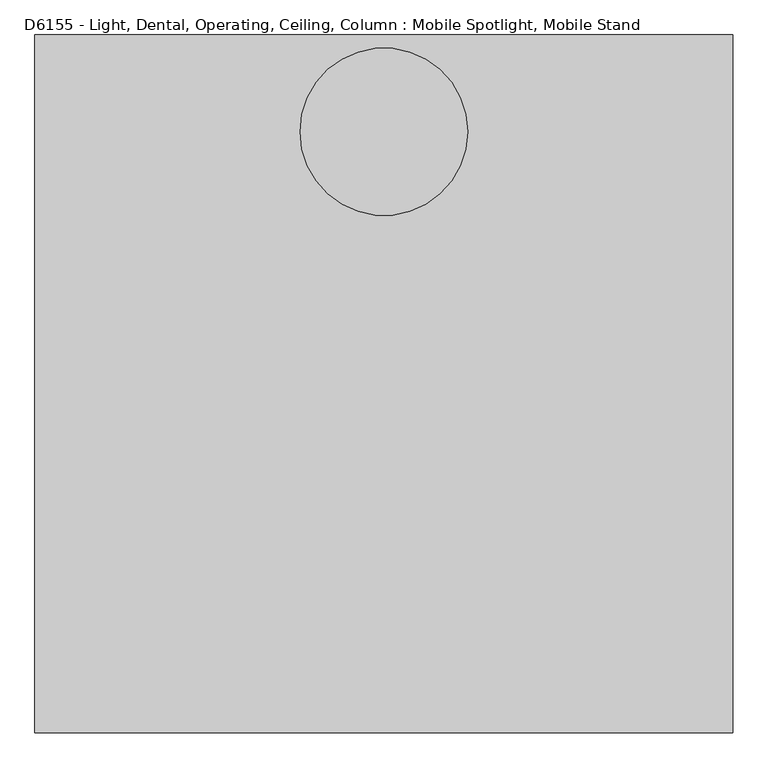
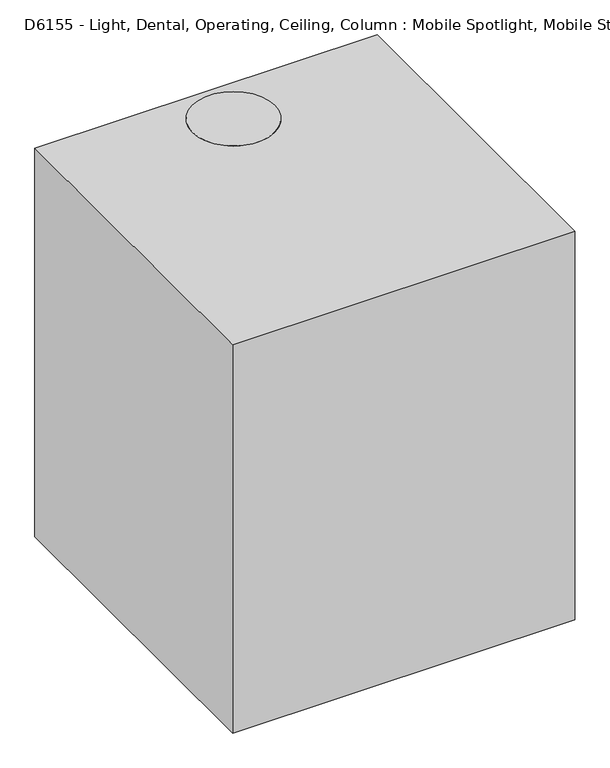
"""IFC4 building model written with IfcOpenShell, lengths in millimetres: proxy geometry, D6155 - Light, Dental, Operating, Ceiling, Column : Mobile Spotlight, Mobile Stand."""

from ifc_helpers import new_model, si_unit, point, frame, frame_2d, origin, place, context, project, spatial, polyline, circle_curve, ellipse_curve, trimmed, segment, composite_curve, outline, extrude, source, transform, mapped, element, save
from ifc_brep_helpers import plane_surface, revolved_surface, advanced_brep


def d6155_light_dental_operating_ceiling_column_mobile_spotlight_c936fcf3(model_context):
    return source(origin(), model_context, "Body", "SolidModel", [
        extrude(outline(composite_curve([segment(polyline([(-42.2464852, -1119.0842165), (-42.2464852, -653.3774924)]), True, "CONTINUOUS"), segment(trimmed(circle_curve(frame_2d((-23.1964852, -639.2363382)), 23.7249814), [point((-42.2464852, -653.3774924))], [point((-4.1464852, -653.3774924))], True, "CARTESIAN"), True, "CONTINUOUS"), segment(polyline([(-4.1464852, -653.3774924), (-4.1464852, -1119.0842165), (-42.2464852, -1119.0842165)]), True, "CONTINUOUS")], self_intersect=False)), frame((-438.1515869, 0.0, 0.0), z_axis=(1.0, 0.0, 0.0), x_axis=(0.0, 1.0, 0.0)), (0.0, 0.0, 1.0), 44.7313138),
        extrude(outline(composite_curve([segment(polyline([(3.1749999, 3.175), (3.1749999, 82.55), (9.525, 82.55), (9.525, 3.175)]), True, "CONTINUOUS"), segment(trimmed(circle_curve(frame_2d((12.6999999, 3.175)), 3.175), [point((9.525, 3.175))], [point((12.6999999, 0.0))], True, "CARTESIAN"), True, "CONTINUOUS"), segment(polyline([(12.6999999, 0.0), (44.45, 0.0)]), True, "CONTINUOUS"), segment(trimmed(circle_curve(frame_2d((44.45, -3.175)), 3.175), [point((44.45, 0.0))], [point((47.6249999, -3.175))], False, "CARTESIAN"), True, "CONTINUOUS"), segment(trimmed(circle_curve(frame_2d((44.45, -3.175)), 3.175), [point((47.6249999, -3.175))], [point((44.45, -6.35))], False, "CARTESIAN"), True, "CONTINUOUS"), segment(polyline([(44.45, -6.35), (-31.75, -6.35)]), True, "CONTINUOUS"), segment(trimmed(circle_curve(frame_2d((-31.75, -3.175)), 3.175), [point((-31.75, -6.35))], [point((-34.925, -3.175))], False, "CARTESIAN"), True, "CONTINUOUS"), segment(trimmed(circle_curve(frame_2d((-31.75, -3.175)), 3.175), [point((-34.925, -3.175))], [point((-31.75, 0.0))], False, "CARTESIAN"), True, "CONTINUOUS"), segment(polyline([(-31.75, 0.0), (0.0, 0.0)]), True, "CONTINUOUS"), segment(trimmed(circle_curve(frame_2d((0.0, 3.175)), 3.175), [point((0.0, 0.0))], [point((3.1749999, 3.175))], True, "CARTESIAN"), True, "CONTINUOUS")], self_intersect=False)), frame((-619.125, -72.8506957, -1372.7870776), z_axis=(0.0, -0.3420201433256747, 0.9396926207859062), x_axis=(0.0, -0.9396926207859062, -0.3420201433256747)), (0.0, 0.0, 1.0), 6.35),
        extrude(outline(composite_curve([segment(trimmed(circle_curve(frame_2d((73.025, 3.1749999)), 3.175), [point((73.025, 0.0))], [point((76.2, 3.1749999))], True, "CARTESIAN"), True, "CONTINUOUS"), segment(polyline([(76.2, 3.1749999), (76.2, 34.9249999)]), True, "CONTINUOUS"), segment(trimmed(circle_curve(frame_2d((79.375, 34.9249999)), 3.175), [point((76.2, 34.9249999))], [point((79.375, 38.0999999))], False, "CARTESIAN"), True, "CONTINUOUS"), segment(trimmed(circle_curve(frame_2d((79.375, 34.9249999)), 3.175), [point((79.375, 38.0999999))], [point((82.55, 34.9249999))], False, "CARTESIAN"), True, "CONTINUOUS"), segment(polyline([(82.55, 34.9249999), (82.55, -41.2750001)]), True, "CONTINUOUS"), segment(trimmed(circle_curve(frame_2d((79.375, -41.2750001)), 3.175), [point((82.55, -41.2750001))], [point((79.375, -44.45))], False, "CARTESIAN"), True, "CONTINUOUS"), segment(trimmed(circle_curve(frame_2d((79.375, -41.2750001)), 3.175), [point((79.375, -44.45))], [point((76.2, -41.2750001))], False, "CARTESIAN"), True, "CONTINUOUS"), segment(polyline([(76.2, -41.2750001), (76.2, -9.525)]), True, "CONTINUOUS"), segment(trimmed(circle_curve(frame_2d((73.025, -9.525)), 3.175), [point((76.2, -9.525))], [point((73.025, -6.3500001))], True, "CARTESIAN"), True, "CONTINUOUS"), segment(polyline([(73.025, -6.3500001), (-6.35, -6.3500001), (-6.35, 0.0), (73.025, 0.0)]), True, "CONTINUOUS")], self_intersect=False)), frame((-269.875, -75.8342197, -1373.8729915), z_axis=(0.0, -0.3420201433256747, 0.9396926207859062), x_axis=(1.0, 0.0, 0.0)), (0.0, 0.0, 1.0), 6.35),
        extrude(outline(polyline([(-10.4394357, 0.0), (0.0, 0.0), (0.0, -93.5534767), (-260.35, -93.5534767), (-260.35, 0.0), (-249.9105643, 0.0), (-249.9105643, -82.4409766), (-10.4394357, -82.4409766), (-10.4394357, 0.0)])), frame((-536.575, -136.4005581, -1296.3598055), z_axis=(0.0, 0.9396926207859062, 0.34202014332567465), x_axis=(-1.0, 0.0, 0.0)), (0.0, 0.0, 1.0), 51.6611993),
        extrude(outline(composite_curve([segment(polyline([(83.7478894, -1273.5552985), (47.0125775, -1317.3347385), (-226.6088192, -1416.9247823), (-282.8905822, -1407.0007889)]), True, "CONTINUOUS"), segment(trimmed(circle_curve(frame_2d((-50.9998822, -1473.7270449)), 241.3), [point((-282.8905822, -1407.0007889))], [point((83.7478894, -1273.5552985))], False, "CARTESIAN"), True, "CONTINUOUS")], self_intersect=False)), frame((-526.1355643, 0.0, 0.0), z_axis=(1.0, 0.0, 0.0), x_axis=(0.0, 1.0, 0.0)), (0.0, 0.0, 1.0), 239.4711286),
        extrude(outline(composite_curve([segment(trimmed(circle_curve(frame_2d((-49.1996212, -1478.6732215)), 259.8923153), [point((-300.7917267, -1413.5162727))], [point((101.6490338, -1267.0398148))], False, "CARTESIAN"), True, "CONTINUOUS"), segment(polyline([(101.6490338, -1267.0398148), (83.7478894, -1273.5552985)]), True, "CONTINUOUS"), segment(trimmed(circle_curve(frame_2d((-50.9998822, -1473.7270449)), 241.3), [point((83.7478894, -1273.5552985))], [point((-282.8905822, -1407.0007889))], True, "CARTESIAN"), True, "CONTINUOUS"), segment(polyline([(-282.8905822, -1407.0007889), (-300.7917267, -1413.5162727)]), True, "CONTINUOUS")], self_intersect=False)), frame((-526.1355643, 0.0, 0.0), z_axis=(1.0, 0.0, 0.0), x_axis=(0.0, 1.0, 0.0)), (0.0, 0.0, 1.0), 239.4711286),
        extrude(outline(polyline([(-98.0576121, -1311.6988489), (-89.6839257, -1314.7466215), (-88.136531, -1323.5223329), (-94.9628227, -1329.2502718), (-103.3365092, -1326.2024992), (-104.8839039, -1317.4267877), (-98.0576121, -1311.6988489)])), frame((-273.05, 0.0, 0.0), z_axis=(1.0, 0.0, 0.0), x_axis=(0.0, 1.0, 0.0)), (0.0, 0.0, 1.0), 3.175),
        extrude(outline(composite_curve([segment(trimmed(circle_curve(frame_2d((-97.6154008, -1319.4941842)), 25.4), [point((-72.2154008, -1319.4941842))], [point((-123.0154008, -1319.4941842))], False, "CARTESIAN"), True, "CONTINUOUS"), segment(trimmed(circle_curve(frame_2d((-97.6154008, -1319.4941842)), 25.4), [point((-123.0154008, -1319.4941842))], [point((-72.2154008, -1319.4941842))], False, "CARTESIAN"), True, "CONTINUOUS")], self_intersect=False)), frame((-286.6644357, 0.0, 0.0), z_axis=(1.0, 0.0, 0.0), x_axis=(0.0, 1.0, 0.0)), (0.0, 0.0, 1.0), 10.4394357),
        extrude(outline(composite_curve([segment(polyline([(-6.5644977, -1125.1377649), (-81.6385001, -1331.4018912)]), True, "CONTINUOUS"), segment(trimmed(circle_curve(frame_2d((-99.6235617, -1321.9059271)), 20.3380376), [point((-81.6385001, -1331.4018912))], [point((-119.7151996, -1318.7496851))], False, "CARTESIAN"), True, "CONTINUOUS"), segment(polyline([(-119.7151996, -1318.7496851), (-47.0889122, -1119.2106004)]), True, "CONTINUOUS"), segment(trimmed(circle_curve(frame_2d((-39.2984344, -1122.0461024)), 8.2904533), [point((-47.0889122, -1119.2106004))], [point((-36.4629324, -1114.2556246))], False, "CARTESIAN"), True, "CONTINUOUS"), segment(polyline([(-36.4629324, -1114.2556246), (-6.5644977, -1125.1377649)]), True, "CONTINUOUS")], self_intersect=False), holes=[composite_curve([segment(trimmed(circle_curve(frame_2d((-96.7997618, -1319.6305836)), 4.6125063), [point((-92.1872555, -1319.6305836))], [point((-101.4122681, -1319.6305836))], True, "CARTESIAN"), True, "CONTINUOUS"), segment(trimmed(circle_curve(frame_2d((-96.7997618, -1319.6305836)), 4.6125063), [point((-101.4122681, -1319.6305836))], [point((-92.1872555, -1319.6305836))], True, "CARTESIAN"), True, "CONTINUOUS")], self_intersect=False)]), frame((-276.225, 0.0, 0.0), z_axis=(1.0, 0.0, 0.0), x_axis=(0.0, 1.0, 0.0)), (0.0, 0.0, 1.0), 3.175),
        extrude(outline(polyline([(-98.0576121, -1311.6988489), (-89.6839257, -1314.7466215), (-88.136531, -1323.5223329), (-94.9628227, -1329.2502718), (-103.3365092, -1326.2024992), (-104.8839039, -1317.4267877), (-98.0576121, -1311.6988489)])), frame((-542.925, 0.0, 0.0), z_axis=(1.0, 0.0, 0.0), x_axis=(0.0, 1.0, 0.0)), (0.0, 0.0, 1.0), 3.175),
        extrude(outline(composite_curve([segment(polyline([(-6.5644977, -1125.1377649), (-17.4236373, -1154.9730056), (-55.1125497, -1141.2553633), (-47.3433177, -1119.9095738)]), True, "CONTINUOUS"), segment(trimmed(circle_curve(frame_2d((-38.8538665, -1122.9994814)), 9.0342853), [point((-47.3433177, -1119.9095738))], [point((-35.7639589, -1114.5100302))], False, "CARTESIAN"), True, "CONTINUOUS"), segment(polyline([(-35.7639589, -1114.5100302), (-6.5644977, -1125.1377649)]), True, "CONTINUOUS")], self_intersect=False)), frame((-536.575, 0.0, 0.0), z_axis=(1.0, 0.0, 0.0), x_axis=(0.0, 1.0, 0.0)), (0.0, 0.0, 1.0), 260.35),
        extrude(outline(composite_curve([segment(trimmed(circle_curve(frame_2d((-97.6154008, -1319.4941842)), 25.4), [point((-72.2154008, -1319.4941842))], [point((-123.0154008, -1319.4941842))], False, "CARTESIAN"), True, "CONTINUOUS"), segment(trimmed(circle_curve(frame_2d((-97.6154008, -1319.4941842)), 25.4), [point((-123.0154008, -1319.4941842))], [point((-72.2154008, -1319.4941842))], False, "CARTESIAN"), True, "CONTINUOUS")], self_intersect=False)), frame((-536.575, 0.0, 0.0), z_axis=(1.0, 0.0, 0.0), x_axis=(0.0, 1.0, 0.0)), (0.0, 0.0, 1.0), 10.4394357),
        extrude(outline(composite_curve([segment(polyline([(-6.5644977, -1125.1377649), (-81.6385001, -1331.4018912)]), True, "CONTINUOUS"), segment(trimmed(circle_curve(frame_2d((-99.6235617, -1321.9059271)), 20.3380376), [point((-81.6385001, -1331.4018912))], [point((-119.7151996, -1318.7496851))], False, "CARTESIAN"), True, "CONTINUOUS"), segment(polyline([(-119.7151996, -1318.7496851), (-47.0217723, -1119.026135)]), True, "CONTINUOUS"), segment(trimmed(circle_curve(frame_2d((-39.4157598, -1121.7944972)), 8.0941494), [point((-47.0217723, -1119.026135))], [point((-36.6473977, -1114.1884847))], False, "CARTESIAN"), True, "CONTINUOUS"), segment(polyline([(-36.6473977, -1114.1884847), (-6.5644977, -1125.1377649)]), True, "CONTINUOUS")], self_intersect=False), holes=[composite_curve([segment(trimmed(circle_curve(frame_2d((-96.7997618, -1319.6305836)), 4.6125063), [point((-92.1872555, -1319.6305836))], [point((-101.4122681, -1319.6305836))], True, "CARTESIAN"), True, "CONTINUOUS"), segment(trimmed(circle_curve(frame_2d((-96.7997618, -1319.6305836)), 4.6125063), [point((-101.4122681, -1319.6305836))], [point((-92.1872555, -1319.6305836))], True, "CARTESIAN"), True, "CONTINUOUS")], self_intersect=False)]), frame((-539.75, 0.0, 0.0), z_axis=(1.0, 0.0, 0.0), x_axis=(0.0, 1.0, 0.0)), (0.0, 0.0, 1.0), 3.175),
        extrude(outline(composite_curve([segment(polyline([(-0.7454484, -624.5764556), (-0.7454484, -647.2535292)]), True, "CONTINUOUS"), segment(trimmed(circle_curve(frame_2d((-22.9704484, -638.9514742)), 23.7249814), [point((-0.7454484, -647.2535292))], [point((-45.1954484, -647.2535292))], False, "CARTESIAN"), True, "CONTINUOUS"), segment(polyline([(-45.1954484, -647.2535292), (-45.1954484, -624.5764556)]), True, "CONTINUOUS"), segment(trimmed(circle_curve(frame_2d((-22.9704484, -632.8785107)), 23.7249814), [point((-45.1954484, -624.5764556))], [point((-0.7454484, -624.5764556))], False, "CARTESIAN"), True, "CONTINUOUS")], self_intersect=False)), frame((-444.3109543, 0.0, 0.0), z_axis=(1.0, 0.0, 0.0), x_axis=(0.0, 1.0, 0.0)), (0.0, 0.0, 1.0), 56.9609543),
        extrude(outline(composite_curve([segment(polyline([(432.3571876, -616.8649924), (451.1163396, -627.6955939), (451.1163396, -644.134391), (432.3571876, -654.9649924), (-5.7928124, -654.9649924)]), True, "CONTINUOUS"), segment(trimmed(circle_curve(frame_2d((-19.9339666, -635.9149924)), 23.7249814), [point((-5.7928124, -654.9649924))], [point((-5.7928124, -616.8649924))], True, "CARTESIAN"), True, "CONTINUOUS"), segment(polyline([(-5.7928124, -616.8649924), (432.3571876, -616.8649924)]), True, "CONTINUOUS")], self_intersect=False)), frame((-438.1515869, 0.0, 0.0), z_axis=(1.0, 0.0, 0.0), x_axis=(0.0, 1.0, 0.0)), (0.0, 0.0, 1.0), 44.7313138),
        advanced_brep(
        [(-415.78593, 478.1460327, -657.1847366), (-415.78593, 455.4689591, -657.1847366), (-415.78593, 500.8231064, -657.1847366), (-415.78593, 500.8231064, -612.7347366), (-415.78593, 455.4689591, -612.7347366), (-415.78593, 478.1460327, -612.7347366)],
        [
            (0, 1),
            (1, 2, circle_curve(frame((-415.78593, 478.1460327, -657.1847366), z_axis=(0.0, 0.0, -1.0), x_axis=(0.0, -1.0, 0.0)), 22.6770736)),
            (2, 0),
            (2, 1, circle_curve(frame((-415.78593, 478.1460327, -657.1847366), z_axis=(0.0, 0.0, -1.0), x_axis=(0.0, -1.0, 0.0)), 22.6770736)),
            (3, 4, circle_curve(frame((-415.78593, 478.1460327, -612.7347366), z_axis=(0.0, 0.0, 1.0), x_axis=(0.0, -1.0, 0.0)), 22.6770736)),
            (4, 5),
            (5, 3),
            (4, 3, circle_curve(frame((-415.78593, 478.1460327, -612.7347366), z_axis=(0.0, 0.0, 1.0), x_axis=(0.0, -1.0, 0.0)), 22.6770736)),
            (1, 4, circle_curve(frame((-415.78593, 463.7710141, -634.9597366), z_axis=(-1.0, 0.0, 0.0), x_axis=(0.0, 1.0, 0.0)), 23.7249814)),
            (3, 2, circle_curve(frame((-415.78593, 492.5210513, -634.9597366), z_axis=(-1.0, 0.0, 0.0), x_axis=(0.0, -1.0, 0.0)), 23.7249814)),
        ],
        [
            plane_surface(frame((-415.78593, 478.1460327, -657.1847366), z_axis=(0.0, 0.0, -1.0), x_axis=(0.0, -1.0, 0.0))),
            plane_surface(frame((-415.78593, 478.1460327, -612.7347366), z_axis=(0.0, 0.0, 1.0), x_axis=(0.0, -1.0, 0.0))),
            revolved_surface(trimmed(ellipse_curve(frame((-415.78593, 463.7710141, -634.9597366), z_axis=(1.0, 0.0, 0.0), x_axis=(0.0, 1.0, 0.0)), 23.7249814, 23.7249814), [point((-415.78593, 455.4689591, -612.7347366))], [point((-415.78593, 455.4689591, -657.1847366))], True, "CARTESIAN"), (-415.78593, 478.1460327, -657.1847366), (0.0, 0.0, -1.0)),
        ],
        [
            (0, [[1, 2, 3]]),
            (0, [[-3, 4, -1]]),
            (1, [[5, 6, 7]]),
            (1, [[8, -7, -6]]),
            (2, [[-2, 9, -5, 10]]),
            (2, [[-4, -10, -8, -9]]),
        ],
    ),
        extrude(outline(composite_curve([segment(trimmed(circle_curve(frame_2d((476.5585327, -634.9597366)), 19.05), [point((457.5085327, -634.9597366))], [point((495.6085327, -634.9597366))], False, "CARTESIAN"), True, "CONTINUOUS"), segment(trimmed(circle_curve(frame_2d((476.5585327, -634.9597366)), 19.05), [point((495.6085327, -634.9597366))], [point((457.5085327, -634.9597366))], False, "CARTESIAN"), True, "CONTINUOUS")], self_intersect=False)), frame((-393.4202731, 0.0, 0.0), z_axis=(1.0, 0.0, 0.0), x_axis=(0.0, 1.0, 0.0)), (0.0, 0.0, 1.0), 304.8),
        extrude(outline(composite_curve([segment(trimmed(circle_curve(frame_2d((476.5585327, -634.9597366)), 22.225), [point((454.3335327, -634.9597366))], [point((498.7835327, -634.9597366))], False, "CARTESIAN"), True, "CONTINUOUS"), segment(trimmed(circle_curve(frame_2d((476.5585327, -634.9597366)), 22.225), [point((498.7835327, -634.9597366))], [point((454.3335327, -634.9597366))], False, "CARTESIAN"), True, "CONTINUOUS")], self_intersect=False)), frame((-88.6202731, 0.0, 0.0), z_axis=(1.0, 0.0, 0.0), x_axis=(0.0, 1.0, 0.0)), (0.0, 0.0, 1.0), 37.6519951),
        extrude(outline(composite_curve([segment(trimmed(circle_curve(frame_2d((0.0235935, 476.5585327)), 57.15), [point((-57.1264065, 476.5585327))], [point((57.1735935, 476.5585327))], False, "CARTESIAN"), True, "CONTINUOUS"), segment(trimmed(circle_curve(frame_2d((0.0235935, 476.5585327)), 57.15), [point((57.1735935, 476.5585327))], [point((-57.1264065, 476.5585327))], False, "CARTESIAN"), True, "CONTINUOUS")], self_intersect=False)), frame((0.0, 0.0, -660.4), z_axis=(0.0, 0.0, 1.0), x_axis=(1.0, 0.0, 0.0)), (0.0, 0.0, 1.0), 50.8),
        extrude(outline(composite_curve([segment(trimmed(circle_curve(frame_2d((0.0, 459.0567718)), 22.225), [point((-22.225, 459.0567718))], [point((22.225, 459.0567718))], False, "CARTESIAN"), True, "CONTINUOUS"), segment(trimmed(circle_curve(frame_2d((0.0, 459.0567718)), 22.225), [point((22.225, 459.0567718))], [point((-22.225, 459.0567718))], False, "CARTESIAN"), True, "CONTINUOUS")], self_intersect=False)), frame((0.0, 0.0, -609.6), z_axis=(0.0, 0.0, 1.0), x_axis=(1.0, 0.0, 0.0)), (0.0, 0.0, 1.0), 82.55),
        extrude(outline(composite_curve([segment(trimmed(circle_curve(frame_2d((0.0, 458.8513373)), 152.4), [point((-152.4, 458.8513373))], [point((152.4, 458.8513373))], False, "CARTESIAN"), True, "CONTINUOUS"), segment(trimmed(circle_curve(frame_2d((0.0, 458.8513373)), 152.4), [point((152.4, 458.8513373))], [point((-152.4, 458.8513373))], False, "CARTESIAN"), True, "CONTINUOUS")], self_intersect=False)), frame((0.0, 0.0, -50.8), z_axis=(0.0, 0.0, 1.0), x_axis=(1.0, 0.0, 0.0)), (0.0, 0.0, 1.0), 50.8),
        extrude(outline(composite_curve([segment(trimmed(circle_curve(frame_2d((0.0, 459.0567718)), 19.05), [point((-19.05, 459.0567718))], [point((19.05, 459.0567718))], False, "CARTESIAN"), True, "CONTINUOUS"), segment(trimmed(circle_curve(frame_2d((0.0, 459.0567718)), 19.05), [point((19.05, 459.0567718))], [point((-19.05, 459.0567718))], False, "CARTESIAN"), True, "CONTINUOUS")], self_intersect=False)), frame((0.0, 0.0, -527.05), z_axis=(0.0, 0.0, 1.0), x_axis=(1.0, 0.0, 0.0)), (0.0, 0.0, 1.0), 476.25),
        extrude(outline(polyline([(635.0, 635.0), (635.0, -635.0), (-635.0, -635.0), (-635.0, 635.0), (635.0, 635.0)])), frame((0.0, 0.0, -1524.0), z_axis=(0.0, 0.0, 1.0), x_axis=(1.0, 0.0, 0.0)), (0.0, 0.0, 1.0), 1524.0),
    ])


if __name__ == "__main__":
    model = new_model("IFC4")
    model_context = context("Model", 3, world=origin())
    ifc_project = project(units=[si_unit("LENGTHUNIT", "METRE", prefix="MILLI")], contexts=[model_context])
    site = spatial("IfcSite", under=ifc_project)
    building = spatial("IfcBuilding", under=site)
    placement = place(None, origin())
    d6155_light_dental_operating_ceiling_column_mobile_spotlight_shape = d6155_light_dental_operating_ceiling_column_mobile_spotlight_c936fcf3(model_context)
    element("IfcBuildingElementProxy", 1, Name="D6155 - Light, Dental, Operating, Ceiling, Column : Mobile Spotlight, Mobile Stand", ObjectType="D6155 - Light, Dental, Operating, Ceiling, Column : Mobile Spotlight, Mobile Stand", at=placement, inside=building, context=model_context, shape_type="MappedRepresentation", body=[
        mapped(d6155_light_dental_operating_ceiling_column_mobile_spotlight_shape, transform((0.0, 0.0, 0.0), x_axis=(1.0, 0.0, 0.0), y_axis=(0.0, 1.0, 0.0), z_axis=(0.0, 0.0, 1.0))),
    ])
    save(model, "model.ifc")
